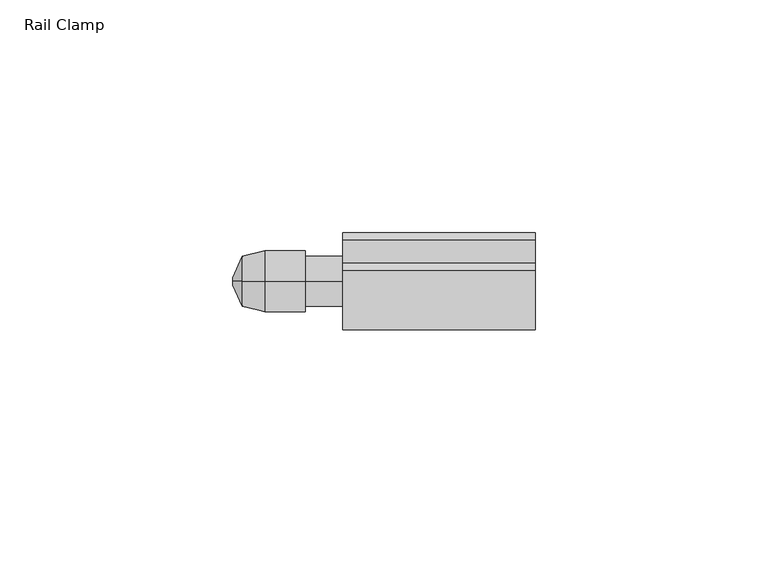
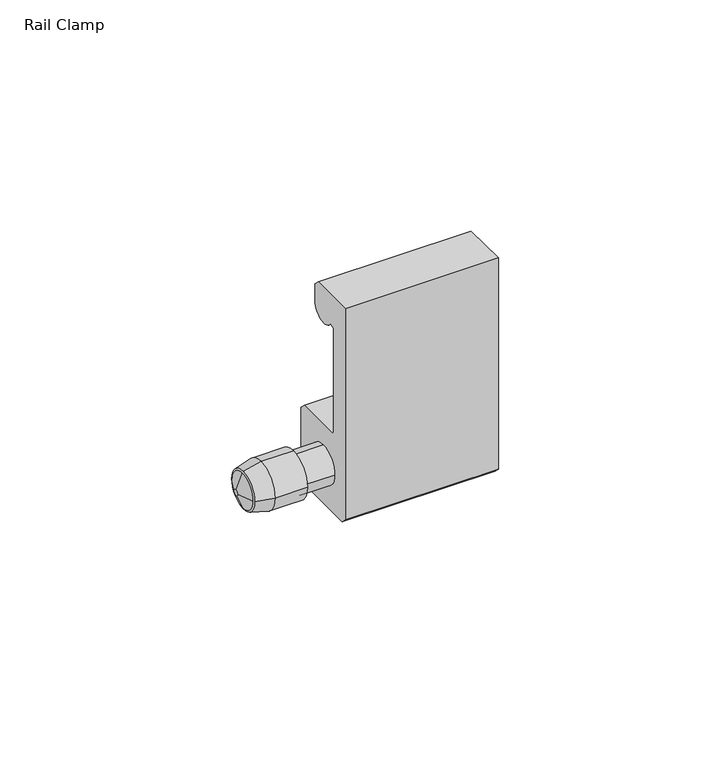
"""IFC4 building model written with IfcOpenShell, lengths in millimetres: furniture geometry, Rail Clamp."""

from ifc_helpers import new_model, si_unit, frame, origin, place, context, project, spatial, polyline, circle_curve, source, transform, mapped, element, save
from ifc_brep_helpers import plane_surface, cylinder_surface, revolved_surface, advanced_brep


def rail_clamp_16b8b6b5(model_context):
    return source(origin(), model_context, "Body", "AdvancedBrep", [
        advanced_brep(
        [(-42.2627645, -46.5617724, 1156.6389235), (-42.2627645, -41.2023724, 1161.9983235), (-42.2627645, -35.8429724, 1156.6389235), (-42.2627645, -41.2023724, 1151.2795235), (-37.4502448, -47.7301724, 1156.6389235), (-37.4502448, -41.2023724, 1150.1111235), (-37.4502448, -34.6745724, 1156.6389235), (-37.4502448, -41.2023724, 1163.1667235)],
        [
            (0, 1, circle_curve(frame((-42.2627645, -41.2023724, 1156.6389235), z_axis=(-1.0, 0.0, 2.7282514933681342e-12), x_axis=(0.0, -1.0, 7.182660263663922e-12)), 5.3594)),
            (1, 2, circle_curve(frame((-42.2627645, -41.2023724, 1156.6389235), z_axis=(-1.0, -2.742314645395805e-12, 0.0), x_axis=(0.0, -7.421599566788137e-12, 1.0)), 5.3594)),
            (2, 3, circle_curve(frame((-42.2627645, -41.2023724, 1156.6389235), z_axis=(-1.0, 0.0, 1.4906941149331042e-12), x_axis=(0.0, 1.0, 1.6218910272781988e-12)), 5.3594)),
            (3, 0, circle_curve(frame((-42.2627645, -41.2023724, 1156.6389235), z_axis=(-1.0, -1.4766309629054335e-12, 0.0), x_axis=(0.0, -6.082091352281256e-12, -1.0)), 5.3594)),
            (4, 5, circle_curve(frame((-37.4502448, -41.2023724, 1156.6389235), z_axis=(1.0, 1.4766309629054335e-12, 0.0), x_axis=(0.0, -6.082091352281256e-12, -1.0)), 6.5278)),
            (5, 6, circle_curve(frame((-37.4502448, -41.2023724, 1156.6389235), z_axis=(1.0, 0.0, -1.4906941149331042e-12), x_axis=(0.0, 1.0, 1.6218910272781988e-12)), 6.5278)),
            (6, 7, circle_curve(frame((-37.4502448, -41.2023724, 1156.6389235), z_axis=(1.0, 2.742314645395805e-12, 0.0), x_axis=(0.0, -7.421599566788137e-12, 1.0)), 6.5278)),
            (7, 4, circle_curve(frame((-37.4502448, -41.2023724, 1156.6389235), z_axis=(1.0, 0.0, -2.7282514933681342e-12), x_axis=(0.0, -1.0, 7.182660263663922e-12)), 6.5278)),
            (4, 0),
            (3, 5),
            (2, 6),
            (1, 7),
        ],
        [
            plane_surface(frame((-42.2627645, -41.2023724, 1156.6389235), z_axis=(-1.0, 0.0, 0.0), x_axis=(0.0, 0.0, -1.0))),
            plane_surface(frame((-37.4502448, -41.2023724, 1156.6389235), z_axis=(1.0, 0.0, 0.0), x_axis=(0.0, 0.0, -1.0))),
            revolved_surface(polyline([(-42.26276450000792, -41.2023724, 1151.2795235097321), (-37.4502448, -41.2023724, 1150.1111235)]), (-64.3375829, -41.2023724, 1156.6389235), (1.0, 1.4766309629054335e-12, 0.0)),
            revolved_surface(polyline([(-42.2627645, -35.84297240973024, 1156.6389235), (-37.45024479999027, -34.67457239999764, 1156.6389235)]), (-64.3375829, -41.2023724, 1156.6389235), (1.0, 0.0, -1.4906941149331042e-12)),
            revolved_surface(polyline([(-42.2627645, -41.2023724, 1161.9983234902697), (-37.450244799982094, -41.2023724, 1163.1667235000043)]), (-64.3375829, -41.2023724, 1156.6389235), (1.0, 2.742314645395805e-12, 0.0)),
            revolved_surface(polyline([(-42.262764500014626, -46.56177239026622, 1156.6389235), (-37.4502448, -47.7301724, 1156.6389235)]), (-64.3375829, -41.2023724, 1156.6389235), (1.0, 0.0, -2.7282514933681342e-12)),
        ],
        [
            (0, [[1, 2, 3, 4]]),
            (1, [[5, 6, 7, 8]]),
            (2, [[-5, 9, -4, 10]]),
            (3, [[-6, -10, -3, 11]]),
            (4, [[-7, -11, -2, 12]]),
            (5, [[-8, -12, -1, -9]]),
        ],
    ),
        advanced_brep(
        [(-20.6375, -30.8010724, 1146.9446182), (-20.6375, -32.3758712, 1145.36982), (-20.6375, -50.0288731, 1145.36982), (-20.6375, -51.6036724, 1146.9446182), (-20.6375, -51.6036724, 1207.21882), (-20.6375, -38.9100224, 1207.21882), (-20.6375, -37.3352224, 1205.6440195), (-20.6375, -37.3352224, 1200.8942201), (-20.6375, -44.603154, 1198.7092541), (-20.6375, -46.0474222, 1198.2750622), (-20.6375, -46.0474222, 1168.5406519), (-20.6375, -45.4521097, 1167.9453394), (-20.6375, -32.3758724, 1167.9453394), (-20.6375, -30.8010724, 1166.37054), (-20.6375, -46.5617724, 1156.6389235), (-20.6375, -41.2023724, 1151.2795235), (-20.6375, -35.8429724, 1156.6389235), (-20.6375, -41.2023724, 1161.9983235), (20.6375, -30.8010724, 1146.9446182), (20.6375, -30.8010724, 1166.37054), (20.6375, -32.3758724, 1167.9453394), (20.6375, -45.4521097, 1167.9453394), (20.6375, -46.0474222, 1168.5406519), (20.6375, -46.0474222, 1198.2750622), (20.6375, -44.603154, 1198.7092541), (20.6375, -37.3352224, 1200.8942201), (20.6375, -37.3352224, 1205.6440195), (20.6375, -38.9100224, 1207.21882), (20.6375, -51.6036724, 1207.21882), (20.6375, -51.6036724, 1146.9446182), (20.6375, -50.0288731, 1145.36982), (20.6375, -32.3758712, 1145.36982), (-28.6997615, -46.5617724, 1156.6389235), (-28.6997615, -41.2023724, 1151.2795235), (-28.6997615, -35.8429724, 1156.6389235), (-28.6997615, -41.2023724, 1161.9983235), (-28.6997615, -47.7301724, 1156.6389235), (-28.6997615, -41.2023724, 1150.1111235), (-28.6997615, -34.6745724, 1156.6389235), (-28.6997615, -41.2023724, 1163.1667235), (-37.4502448, -47.7301724, 1156.6389235), (-37.4502448, -41.2023724, 1163.1667235), (-37.4502448, -34.6745724, 1156.6389235), (-37.4502448, -41.2023724, 1150.1111235)],
        [
            (0, 1),
            (1, 2),
            (2, 3),
            (3, 4),
            (4, 5),
            (5, 6),
            (6, 7),
            (7, 8, circle_curve(frame((-20.6375, -41.2976225, 1200.8942201), z_axis=(-1.0, 0.0, 0.0), x_axis=(0.0, 1.0, 0.0)), 3.9624001)),
            (8, 9),
            (9, 10),
            (10, 11),
            (11, 12),
            (12, 13),
            (13, 0),
            (14, 15, circle_curve(frame((-20.6375, -41.2023724, 1156.6389235), z_axis=(1.0, 0.0, 0.0), x_axis=(0.0, 1.0, 0.0)), 5.3594)),
            (15, 16, circle_curve(frame((-20.6375, -41.2023724, 1156.6389235), z_axis=(1.0, 0.0, 0.0), x_axis=(0.0, 1.0, 0.0)), 5.3594)),
            (16, 17, circle_curve(frame((-20.6375, -41.2023724, 1156.6389235), z_axis=(1.0, 0.0, 0.0), x_axis=(0.0, 1.0, 0.0)), 5.3594)),
            (17, 14, circle_curve(frame((-20.6375, -41.2023724, 1156.6389235), z_axis=(1.0, 0.0, 0.0), x_axis=(0.0, 1.0, 0.0)), 5.3594)),
            (18, 19),
            (19, 20),
            (20, 21),
            (21, 22),
            (22, 23),
            (23, 24),
            (24, 25, circle_curve(frame((20.6375, -41.2976225, 1200.8942201), z_axis=(1.0, 0.0, 0.0), x_axis=(0.0, 1.0, 0.0)), 3.9624001)),
            (25, 26),
            (26, 27),
            (27, 28),
            (28, 29),
            (29, 30),
            (30, 31),
            (31, 18),
            (0, 18),
            (31, 1),
            (30, 2),
            (29, 3),
            (28, 4),
            (27, 5),
            (26, 6),
            (25, 7),
            (24, 8),
            (23, 9),
            (22, 10),
            (21, 11),
            (20, 12),
            (19, 13),
            (14, 32),
            (32, 33, circle_curve(frame((-28.6997615, -41.2023724, 1156.6389235), z_axis=(1.0, 0.0, 0.0), x_axis=(0.0, 1.0, 0.0)), 5.3594)),
            (33, 15),
            (33, 34, circle_curve(frame((-28.6997615, -41.2023724, 1156.6389235), z_axis=(1.0, 0.0, 0.0), x_axis=(0.0, 1.0, 0.0)), 5.3594)),
            (34, 16),
            (34, 35, circle_curve(frame((-28.6997615, -41.2023724, 1156.6389235), z_axis=(1.0, 0.0, 0.0), x_axis=(0.0, 1.0, 0.0)), 5.3594)),
            (35, 17),
            (35, 32, circle_curve(frame((-28.6997615, -41.2023724, 1156.6389235), z_axis=(1.0, 0.0, 0.0), x_axis=(0.0, 1.0, 0.0)), 5.3594)),
            (36, 37, circle_curve(frame((-28.6997615, -41.2023724, 1156.6389235), z_axis=(1.0, 0.0, 0.0), x_axis=(0.0, 1.0, 0.0)), 6.5278)),
            (37, 38, circle_curve(frame((-28.6997615, -41.2023724, 1156.6389235), z_axis=(1.0, 0.0, 0.0), x_axis=(0.0, 1.0, 0.0)), 6.5278)),
            (38, 39, circle_curve(frame((-28.6997615, -41.2023724, 1156.6389235), z_axis=(1.0, 0.0, 0.0), x_axis=(0.0, 1.0, 0.0)), 6.5278)),
            (39, 36, circle_curve(frame((-28.6997615, -41.2023724, 1156.6389235), z_axis=(1.0, 0.0, 0.0), x_axis=(0.0, 1.0, 0.0)), 6.5278)),
            (40, 41, circle_curve(frame((-37.4502448, -41.2023724, 1156.6389235), z_axis=(-1.0, 0.0, 0.0), x_axis=(0.0, 1.0, 0.0)), 6.5278)),
            (41, 42, circle_curve(frame((-37.4502448, -41.2023724, 1156.6389235), z_axis=(-1.0, 0.0, 0.0), x_axis=(0.0, 1.0, 0.0)), 6.5278)),
            (42, 43, circle_curve(frame((-37.4502448, -41.2023724, 1156.6389235), z_axis=(-1.0, 0.0, 0.0), x_axis=(0.0, 1.0, 0.0)), 6.5278)),
            (43, 40, circle_curve(frame((-37.4502448, -41.2023724, 1156.6389235), z_axis=(-1.0, 0.0, 0.0), x_axis=(0.0, 1.0, 0.0)), 6.5278)),
            (36, 40),
            (43, 37),
            (42, 38),
            (41, 39),
        ],
        [
            plane_surface(frame((-20.6375, -41.2023724, 1207.21882), z_axis=(-1.0, 0.0, 0.0), x_axis=(0.0, 0.0, 1.0))),
            plane_surface(frame((20.6375, -41.2023724, 1207.21882), z_axis=(1.0, 0.0, 0.0), x_axis=(0.0, 0.0, 1.0))),
            plane_surface(frame((-20.6375, -30.8010724, 1146.9446182), z_axis=(0.0, 0.7071066537262837, -0.7071069086467884), x_axis=(1.0, 0.0, 0.0))),
            plane_surface(frame((-20.6375, -32.3758712, 1145.36982), z_axis=(0.0, 0.0, -1.0), x_axis=(1.0, 0.0, 0.0))),
            plane_surface(frame((-20.6375, -50.0288731, 1145.36982), z_axis=(0.0, -0.7071065262660429, -0.7071070361069604), x_axis=(1.0, 0.0, 0.0))),
            plane_surface(frame((-20.6375, -51.6036724, 1146.9446182), z_axis=(0.0, -1.0, 0.0), x_axis=(1.0, 0.0, 0.0))),
            plane_surface(frame((-20.6375, -51.6036724, 1207.21882), z_axis=(0.0, 0.0, 1.0), x_axis=(1.0, 0.0, 0.0))),
            plane_surface(frame((-20.6375, -38.9100224, 1207.21882), z_axis=(0.0, 0.7071069046636025, 0.707106657709471), x_axis=(1.0, 0.0, 0.0))),
            plane_surface(frame((-20.6375, -37.3352224, 1205.6440195), z_axis=(0.0, 1.0, 0.0), x_axis=(1.0, 0.0, 0.0))),
            cylinder_surface(frame((-20.6375, -41.2976225, 1200.8942201), z_axis=(-1.0, 0.0, 0.0), x_axis=(0.0, 1.0, 0.0)), 3.9624001),
            plane_surface(frame((-20.6375, -44.603154, 1198.7092541), z_axis=(0.0, 0.2879022867565173, -0.9576597899464967), x_axis=(1.0, 0.0, 0.0))),
            plane_surface(frame((-20.6375, -46.0474222, 1198.2750622), z_axis=(0.0, 1.0, 0.0), x_axis=(1.0, 0.0, 0.0))),
            plane_surface(frame((-20.6375, -46.0474222, 1168.5406519), z_axis=(0.0, 0.7071067811865476, 0.7071067811865476), x_axis=(1.0, 0.0, 0.0))),
            plane_surface(frame((-20.6375, -45.4521097, 1167.9453394), z_axis=(0.0, 0.0, 1.0), x_axis=(1.0, 0.0, 0.0))),
            plane_surface(frame((-20.6375, -32.3758724, 1167.9453394), z_axis=(0.0, 0.7071066537262837, 0.7071069086467885), x_axis=(1.0, 0.0, 0.0))),
            plane_surface(frame((-20.6375, -30.8010724, 1166.37054), z_axis=(0.0, 1.0, 0.0), x_axis=(1.0, 0.0, 0.0))),
            cylinder_surface(frame((-28.6997615, -41.2023724, 1156.6389235), z_axis=(1.0, 0.0, 0.0), x_axis=(0.0, 1.0, 0.0)), 5.3594),
            plane_surface(frame((-28.6997615, -34.6745724, 1156.6389235), z_axis=(1.0, 0.0, 0.0), x_axis=(0.0, 0.0, 1.0))),
            plane_surface(frame((-37.4502448, -34.6745724, 1156.6389235), z_axis=(-1.0, 0.0, 0.0), x_axis=(0.0, 0.0, -1.0))),
            cylinder_surface(frame((-37.4502448, -41.2023724, 1156.6389235), z_axis=(1.0, 0.0, 0.0), x_axis=(0.0, 1.0, 0.0)), 6.5278),
        ],
        [
            (0, [[1, 2, 3, 4, 5, 6, 7, 8, 9, 10, 11, 12, 13, 14], [15, 16, 17, 18]]),
            (1, [[19, 20, 21, 22, 23, 24, 25, 26, 27, 28, 29, 30, 31, 32]]),
            (2, [[-1, 33, -32, 34]]),
            (3, [[-2, -34, -31, 35]]),
            (4, [[-3, -35, -30, 36]]),
            (5, [[-4, -36, -29, 37]]),
            (6, [[-5, -37, -28, 38]]),
            (7, [[-6, -38, -27, 39]]),
            (8, [[-7, -39, -26, 40]]),
            (9, [[-8, -40, -25, 41]]),
            (10, [[-9, -41, -24, 42]]),
            (11, [[-10, -42, -23, 43]]),
            (12, [[-11, -43, -22, 44]]),
            (13, [[-12, -44, -21, 45]]),
            (14, [[-13, -45, -20, 46]]),
            (15, [[-14, -46, -19, -33]]),
            (16, [[47, 48, 49, -15]]),
            (16, [[-49, 50, 51, -16]]),
            (16, [[-51, 52, 53, -17]]),
            (16, [[-47, -18, -53, 54]]),
            (17, [[55, 56, 57, 58], [-48, -54, -52, -50]]),
            (18, [[59, 60, 61, 62]]),
            (19, [[-55, 63, -62, 64]]),
            (19, [[-56, -64, -61, 65]]),
            (19, [[-57, -65, -60, 66]]),
            (19, [[-58, -66, -59, -63]]),
        ],
    ),
        advanced_brep(
        [(-44.2561748, -41.9961224, 1156.6389235), (-44.2561748, -41.2023724, 1157.4326735), (-44.2561748, -40.4086224, 1156.6389235), (-44.2561748, -41.2023724, 1155.8451735), (-42.2627645, -46.5617724, 1156.6389235), (-42.2627645, -41.2023724, 1151.2795235), (-42.2627645, -35.8429724, 1156.6389235), (-42.2627645, -41.2023724, 1161.9983235)],
        [
            (0, 1, circle_curve(frame((-44.2561748, -41.2023724, 1156.6389235), z_axis=(-1.0, 0.0, 0.0), x_axis=(0.0, -1.0, 0.0)), 0.79375)),
            (1, 2, circle_curve(frame((-44.2561748, -41.2023724, 1156.6389235), z_axis=(-1.0, 0.0, 0.0), x_axis=(0.0, 0.0, 1.0)), 0.79375)),
            (2, 3, circle_curve(frame((-44.2561748, -41.2023724, 1156.6389235), z_axis=(-1.0, 0.0, 4.345787231627821e-12), x_axis=(0.0, 1.0, 2.0160044241316433e-12)), 0.79375)),
            (3, 0, circle_curve(frame((-44.2561748, -41.2023724, 1156.6389235), z_axis=(-1.0, -4.400958358591846e-12, 0.0), x_axis=(0.0, -1.9159453810230384e-12, -1.0)), 0.79375)),
            (4, 5, circle_curve(frame((-42.2627645, -41.2023724, 1156.6389235), z_axis=(1.0, 4.400958358591846e-12, 0.0), x_axis=(0.0, -1.9159453810230384e-12, -1.0)), 5.3594)),
            (5, 6, circle_curve(frame((-42.2627645, -41.2023724, 1156.6389235), z_axis=(1.0, 0.0, -4.345787231627821e-12), x_axis=(0.0, 1.0, 2.0160044241316433e-12)), 5.3594)),
            (6, 7, circle_curve(frame((-42.2627645, -41.2023724, 1156.6389235), z_axis=(1.0, 0.0, 0.0), x_axis=(0.0, 0.0, 1.0)), 5.3594)),
            (7, 4, circle_curve(frame((-42.2627645, -41.2023724, 1156.6389235), z_axis=(1.0, 0.0, 0.0), x_axis=(0.0, -1.0, 0.0)), 5.3594)),
            (0, 4),
            (7, 1),
            (6, 2),
            (5, 3),
        ],
        [
            plane_surface(frame((-44.2561748, -41.2023724, 1156.6389235), z_axis=(-1.0, 0.0, 0.0), x_axis=(0.0, -1.0, 0.0))),
            plane_surface(frame((-42.2627645, -41.2023724, 1156.6389235), z_axis=(1.0, 0.0, 0.0), x_axis=(0.0, -1.0, 0.0))),
            revolved_surface(polyline([(-44.2561748, -41.99612238100404, 1156.6389235), (-42.2627645, -46.5617724, 1156.6389235)]), (-44.6027343, -41.2023724, 1156.6389235), (1.0, 0.0, 0.0)),
            revolved_surface(polyline([(-44.2561748, -41.2023724, 1157.432673481004), (-42.2627645, -41.2023724, 1161.9983235)]), (-44.6027343, -41.2023724, 1156.6389235), (1.0, 0.0, 0.0)),
            revolved_surface(polyline([(-44.2561748, -40.40862241899596, 1156.6389235), (-42.26276449997671, -35.84297239994666, 1156.6389235)]), (-44.6027343, -41.2023724, 1156.6389235), (1.0, 0.0, -4.345787231627821e-12)),
            revolved_surface(polyline([(-44.25617480000349, -41.2023724, 1155.845173519004), (-42.2627645, -41.2023724, 1151.2795235)]), (-44.6027343, -41.2023724, 1156.6389235), (1.0, 4.400958358591846e-12, 0.0)),
        ],
        [
            (0, [[1, 2, 3, 4]]),
            (1, [[5, 6, 7, 8]]),
            (2, [[-1, 9, -8, 10]]),
            (3, [[-2, -10, -7, 11]]),
            (4, [[-3, -11, -6, 12]]),
            (5, [[-4, -12, -5, -9]]),
        ],
    ),
    ])


if __name__ == "__main__":
    model = new_model("IFC4")
    model_context = context("Model", 3, world=origin())
    ifc_project = project(units=[si_unit("LENGTHUNIT", "METRE", prefix="MILLI")], contexts=[model_context])
    site = spatial("IfcSite", under=ifc_project)
    building = spatial("IfcBuilding", under=site)
    placement = place(None, origin())
    rail_clamp_shape = rail_clamp_16b8b6b5(model_context)
    element("IfcFurniture", 1, ObjectType="Rail Clamp", at=placement, inside=building, context=model_context, shape_type="MappedRepresentation", body=[
        mapped(rail_clamp_shape, transform((0.0, 0.0, 0.0), x_axis=(1.0, 0.0, 0.0), y_axis=(0.0, 1.0, 0.0), z_axis=(0.0, 0.0, 1.0))),
    ])
    save(model, "model.ifc")
